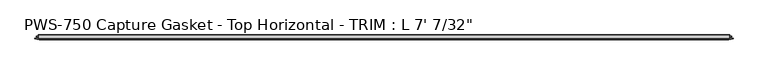
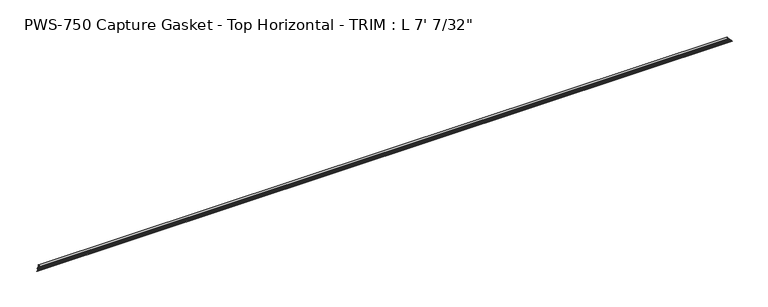
"""IFC4 building model written with IfcOpenShell, lengths in millimetres: proxy geometry."""

from ifc_helpers import new_model, si_unit, origin, place, context, project, spatial, faceted_brep, source, transform, mapped, element, save


def proxy_c2caf08e(model_context):
    return source(origin(), model_context, "Body", "Brep", [
        faceted_brep([(2128.5750813, -3.1126161, 10.5811687), (2129.1236902, -3.8999328, 10.0325598), (10.0325598, -3.8999328, 10.0325598), (10.5811687, -3.1126161, 10.5811687), (2132.238939, -4.2700002, 6.917311), (6.917311, -4.2700002, 6.917311), (2130.9396234, -3.1803976, 8.2166266), (8.2166266, -3.1803976, 8.2166266), (2134.884333, -4.5858484, 4.271917), (4.271917, -4.5858484, 4.271917), (2135.4736902, -5.3411219, 3.6825598), (3.6825598, -5.3411219, 3.6825598), (2134.8475316, -6.061435, 4.3087184), (4.3087184, -6.061435, 4.3087184), (2130.9396234, -7.4537739, 8.2166266), (8.2166266, -7.4537739, 8.2166266), (2132.238939, -6.3641713, 6.917311), (6.917311, -6.3641713, 6.917311), (2129.1236902, -6.7342387, 10.0325598), (10.0325598, -6.7342387, 10.0325598), (2129.1236902, -9.5788982, 10.0325598), (10.0325598, -9.5788982, 10.0325598), (2134.710587, -9.5788982, 4.445663), (4.445663, -9.5788982, 4.445663), (0.032506, -10.6641492, 0.032506), (2139.123744, -10.6641492, 0.032506), (2138.8465355, -11.6592287, 0.3097145), (0.3097145, -11.6592287, 0.3097145), (2133.7444774, -14.0291241, 5.4117726), (5.4117726, -14.0291241, 5.4117726), (2135.8005189, -11.9730826, 3.3557311), (3.3557311, -11.9730826, 3.3557311), (2133.6337438, -11.9730826, 5.5225062), (5.5225062, -11.9730826, 5.5225062), (2130.6637785, -14.0291241, 8.4924715), (8.4924715, -14.0291241, 8.4924715), (2132.506814, -11.7844518, 6.649436), (6.649436, -11.7844518, 6.649436), (2129.4018306, -12.0846322, 9.7544194), (9.7544194, -12.0846322, 9.7544194), (2125.1660736, -14.4184849, 13.9901764), (13.9901764, -14.4184849, 13.9901764), (2124.8009234, -13.6397632, 14.3553266), (14.3553266, -13.6397632, 14.3553266), (2127.3530009, -11.0876857, 11.8032491), (11.8032491, -11.0876857, 11.8032491), (2127.6985803, -1.3581987, 11.4576697), (11.4576697, -1.3581987, 11.4576697), (2129.056779, 0.0, 10.099471), (10.099471, 0.0, 10.099471), (2129.056779, -1.1075685, 10.099471), (10.099471, -1.1075685, 10.099471)], [[[0, 1, 2, 3]], [[1, 4, 5, 2]], [[4, 6, 7, 5]], [[6, 8, 9, 7]], [[8, 10, 11, 9]], [[10, 12, 13, 11]], [[12, 14, 15, 13]], [[14, 16, 17, 15]], [[16, 18, 19, 17]], [[18, 20, 21, 19]], [[20, 22, 23, 21]], [[24, 23, 22, 25]], [[25, 26, 27, 24]], [[26, 28, 29, 27]], [[28, 30, 31, 29]], [[30, 32, 33, 31]], [[32, 34, 35, 33]], [[34, 36, 37, 35]], [[36, 38, 39, 37]], [[38, 40, 41, 39]], [[40, 42, 43, 41]], [[42, 44, 45, 43]], [[44, 46, 47, 45]], [[46, 48, 49, 47]], [[48, 50, 51, 49]], [[3, 51, 50, 0]], [[2, 5, 7, 9, 11, 13, 15, 17, 19, 21, 23, 24, 27, 29, 31, 33, 35, 37, 39, 41, 43, 45, 47, 49, 51, 3]], [[0, 50, 48, 46, 44, 42, 40, 38, 36, 34, 32, 30, 28, 26, 25, 22, 20, 18, 16, 14, 12, 10, 8, 6, 4, 1]]]),
    ])


if __name__ == "__main__":
    model = new_model("IFC4")
    model_context = context("Model", 3, world=origin())
    ifc_project = project(units=[si_unit("LENGTHUNIT", "METRE", prefix="MILLI")], contexts=[model_context])
    site = spatial("IfcSite", under=ifc_project)
    building = spatial("IfcBuilding", under=site)
    placement = place(None, origin())
    proxy_shape = proxy_c2caf08e(model_context)
    element("IfcBuildingElementProxy", 1, Name="PWS-750 Capture Gasket - Top Horizontal - TRIM : L 7' 7/32\"", ObjectType="PWS-750 Capture Gasket - Top Horizontal - TRIM : L 7' 7/32\"", at=placement, inside=building, context=model_context, shape_type="MappedRepresentation", body=[
        mapped(proxy_shape, transform((0.0, 0.0, 0.0), x_axis=(1.0, 0.0, 0.0), y_axis=(0.0, 1.0, 0.0), z_axis=(0.0, 0.0, 1.0))),
    ])
    save(model, "model.ifc")
